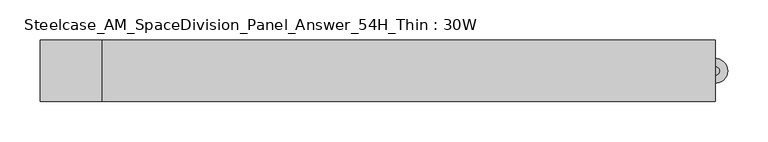
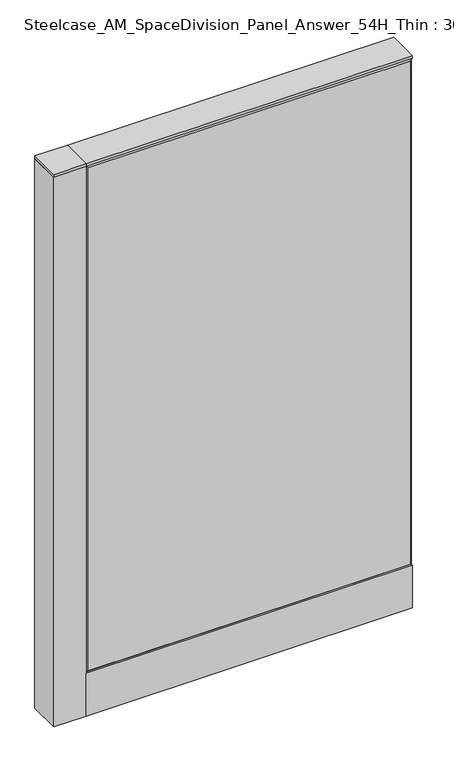
"""IFC4 building model written with IfcOpenShell, lengths in millimetres: furniture geometry, Steelcase_AM_SpaceDivision_Panel_Answer_54H_Thin : 30W."""

from ifc_helpers import new_model, si_unit, point, frame, frame_2d, origin, place, context, project, spatial, polyline, circle_curve, trimmed, segment, composite_curve, outline, extrude, faceted_brep, source, transform, mapped, element, save


def steelcase_am_spacedivision_panel_answer_54h_thin_30w_886c1a99(model_context):
    return source(origin(), model_context, "Body", "SolidModel", [
        extrude(outline(polyline([(-37.3075215, 119.8575157), (-37.3075215, 15.494), (-38.1000194, 15.494), (-38.1000194, 120.65), (-25.4000011, 120.65), (-25.4000011, 119.8575157), (-37.3075215, 119.8575157)])), frame((-381.0, 0.0, 0.0), z_axis=(1.0, 0.0, 0.0), x_axis=(0.0, 1.0, 0.0)), (0.0, 0.0, 1.0), 762.0),
        extrude(outline(polyline([(37.3075215, 119.8575157), (25.4000011, 119.8575157), (25.4000011, 120.65), (38.1000194, 120.65), (38.1000194, 15.494), (37.3075215, 15.494), (37.3075215, 119.8575157)])), frame((-381.0, 0.0, 0.0), z_axis=(1.0, 0.0, 0.0), x_axis=(0.0, 1.0, 0.0)), (0.0, 0.0, 1.0), 762.0),
        extrude(outline(composite_curve([segment(trimmed(circle_curve(frame_2d((381.0, 1.94e-05)), 5.08), [point((386.08, 1.94e-05))], [point((375.92, 1.94e-05))], False, "CARTESIAN"), True, "CONTINUOUS"), segment(trimmed(circle_curve(frame_2d((381.0, 1.94e-05)), 5.08), [point((375.92, 1.94e-05))], [point((386.08, 1.94e-05))], False, "CARTESIAN"), True, "CONTINUOUS")], self_intersect=False)), frame((0.0, 0.0, 5.0799671), z_axis=(0.0, 0.0, 1.0), x_axis=(1.0, 0.0, 0.0)), (0.0, 0.0, 1.0), 10.414),
        extrude(outline(composite_curve([segment(trimmed(circle_curve(frame_2d((381.0, 1.94e-05)), 15.24), [point((396.24, 1.94e-05))], [point((365.76, 1.94e-05))], False, "CARTESIAN"), True, "CONTINUOUS"), segment(trimmed(circle_curve(frame_2d((381.0, 1.94e-05)), 15.24), [point((365.76, 1.94e-05))], [point((396.24, 1.94e-05))], False, "CARTESIAN"), True, "CONTINUOUS")], self_intersect=False)), frame((0.0, 0.0, -3.29e-05), z_axis=(0.0, 0.0, 1.0), x_axis=(1.0, 0.0, 0.0)), (0.0, 0.0, 1.0), 5.08),
        extrude(outline(composite_curve([segment(trimmed(circle_curve(frame_2d((-419.1, 1.94e-05)), 5.08), [point((-424.18, 1.94e-05))], [point((-414.02, 1.94e-05))], False, "CARTESIAN"), True, "CONTINUOUS"), segment(trimmed(circle_curve(frame_2d((-419.1, 1.94e-05)), 5.08), [point((-414.02, 1.94e-05))], [point((-424.18, 1.94e-05))], False, "CARTESIAN"), True, "CONTINUOUS")], self_intersect=False)), frame((0.0, 0.0, 5.0799671), z_axis=(0.0, 0.0, 1.0), x_axis=(1.0, 0.0, 0.0)), (0.0, 0.0, 1.0), 10.414),
        extrude(outline(composite_curve([segment(trimmed(circle_curve(frame_2d((-419.1, 1.94e-05)), 15.24), [point((-434.34, 1.94e-05))], [point((-403.86, 1.94e-05))], False, "CARTESIAN"), True, "CONTINUOUS"), segment(trimmed(circle_curve(frame_2d((-419.1, 1.94e-05)), 15.24), [point((-403.86, 1.94e-05))], [point((-434.34, 1.94e-05))], False, "CARTESIAN"), True, "CONTINUOUS")], self_intersect=False)), frame((0.0, 0.0, -3.29e-05), z_axis=(0.0, 0.0, 1.0), x_axis=(1.0, 0.0, 0.0)), (0.0, 0.0, 1.0), 5.08),
        extrude(outline(polyline([(-381.0, 38.1), (-381.0, -38.1), (-457.2, -38.1), (-457.2, 38.1), (-381.0, 38.1)])), frame((0.0, 0.0, 1371.5999671), z_axis=(0.0, 0.0, 1.0), x_axis=(1.0, 0.0, 0.0)), (0.0, 0.0, 1.0), 6.35),
        extrude(outline(polyline([(-457.2, -38.1), (-457.2, 38.1), (-381.0, 38.1), (-381.0, -38.1), (-457.2, -38.1)])), frame((0.0, 0.0, 15.4939671), z_axis=(0.0, 0.0, 1.0), x_axis=(1.0, 0.0, 0.0)), (0.0, 0.0, 1.0), 1356.106),
        faceted_brep([(-376.174, -38.0960552, 1366.774), (-376.174, -38.0960552, 125.476), (376.174, -38.0960552, 125.476), (376.174, -38.0960552, 1366.774), (-381.0, -33.2700552, 1371.6), (381.0, -33.2700552, 1371.6), (381.0, -33.2700552, 120.65), (-381.0, -33.2700552, 120.65)], [[[0, 1, 2, 3]], [[4, 5, 6, 7]], [[4, 0, 3, 5]], [[5, 3, 2, 6]], [[6, 2, 1, 7]], [[7, 1, 0, 4]]]),
        faceted_brep([(376.174, 38.0960552, 1366.774), (376.174, 38.0960552, 125.476), (-376.174, 38.0960552, 125.476), (-376.174, 38.0960552, 1366.774), (381.0, 33.2700552, 1371.6), (-381.0, 33.2700552, 1371.6), (-381.0, 33.2700552, 120.65), (381.0, 33.2700552, 120.65)], [[[0, 1, 2, 3]], [[4, 5, 6, 7]], [[4, 0, 3, 5]], [[5, 3, 2, 6]], [[6, 2, 1, 7]], [[7, 1, 0, 4]]]),
        extrude(outline(polyline([(381.0, -38.1000194), (-381.0, -38.1000194), (-381.0, 38.1000194), (381.0, 38.1000194), (381.0, -38.1000194)])), frame((0.0, 0.0, 1371.6), z_axis=(0.0, 0.0, 1.0), x_axis=(1.0, 0.0, 0.0)), (0.0, 0.0, 1.0), 6.35),
    ])


if __name__ == "__main__":
    model = new_model("IFC4")
    model_context = context("Model", 3, world=origin())
    ifc_project = project(units=[si_unit("LENGTHUNIT", "METRE", prefix="MILLI")], contexts=[model_context])
    site = spatial("IfcSite", under=ifc_project)
    building = spatial("IfcBuilding", under=site)
    placement = place(None, origin())
    steelcase_am_spacedivision_panel_answer_54h_thin_30w_shape = steelcase_am_spacedivision_panel_answer_54h_thin_30w_886c1a99(model_context)
    element("IfcFurniture", 1, ObjectType="Steelcase_AM_SpaceDivision_Panel_Answer_54H_Thin : 30W", at=placement, inside=building, context=model_context, shape_type="MappedRepresentation", body=[
        mapped(steelcase_am_spacedivision_panel_answer_54h_thin_30w_shape, transform((0.0, 0.0, 0.0), x_axis=(1.0, 0.0, 0.0), y_axis=(0.0, 1.0, 0.0), z_axis=(0.0, 0.0, 1.0))),
    ])
    save(model, "model.ifc")
